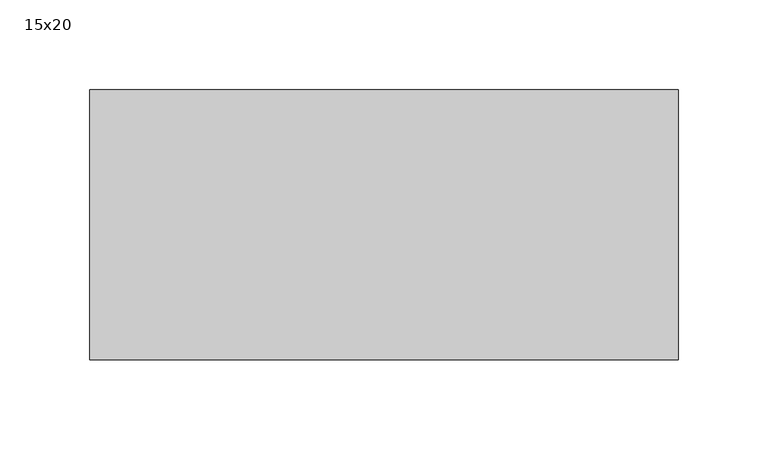
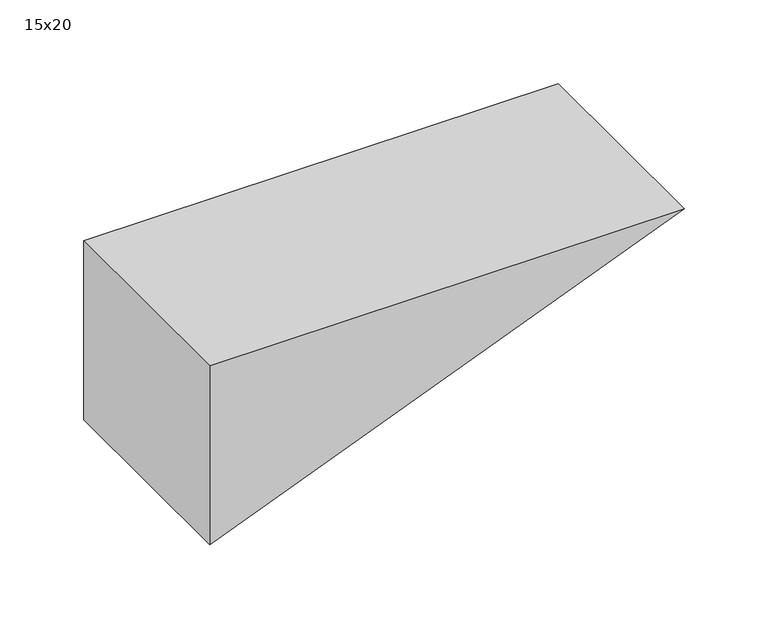
"""IFC4 building model written with IfcOpenShell, lengths in millimetres: beam geometry, 15x20."""

from ifc_helpers import new_model, si_unit, frame, origin, place, context, project, spatial, polyline, outline, extrude, source, transform, mapped, element, save


def beam_15x20_21b7ad02(model_context):
    return source(origin(), model_context, "Body", "SweptSolid", [
        extrude(outline(polyline([(100.0, -188.5), (-30.2270012, -188.5), (100.0, 138.5), (100.0, -188.5)])), frame((0.0, -75.0, 0.0), z_axis=(0.0, 1.0, 0.0), x_axis=(0.0, 0.0, 1.0)), (0.0, 0.0, 1.0), 150.0),
    ])


if __name__ == "__main__":
    model = new_model("IFC4")
    model_context = context("Model", 3, world=origin())
    ifc_project = project(units=[si_unit("LENGTHUNIT", "METRE", prefix="MILLI")], contexts=[model_context])
    site = spatial("IfcSite", under=ifc_project)
    building = spatial("IfcBuilding", under=site)
    placement = place(None, origin())
    beam_15x20_shape = beam_15x20_21b7ad02(model_context)
    element("IfcBeam", 1, ObjectType="15x20", at=placement, inside=building, context=model_context, shape_type="MappedRepresentation", body=[
        mapped(beam_15x20_shape, transform((0.0, 0.0, 0.0), x_axis=(1.0, 0.0, 0.0), y_axis=(0.0, 1.0, 0.0), z_axis=(0.0, 0.0, 1.0))),
    ])
    save(model, "model.ifc")
